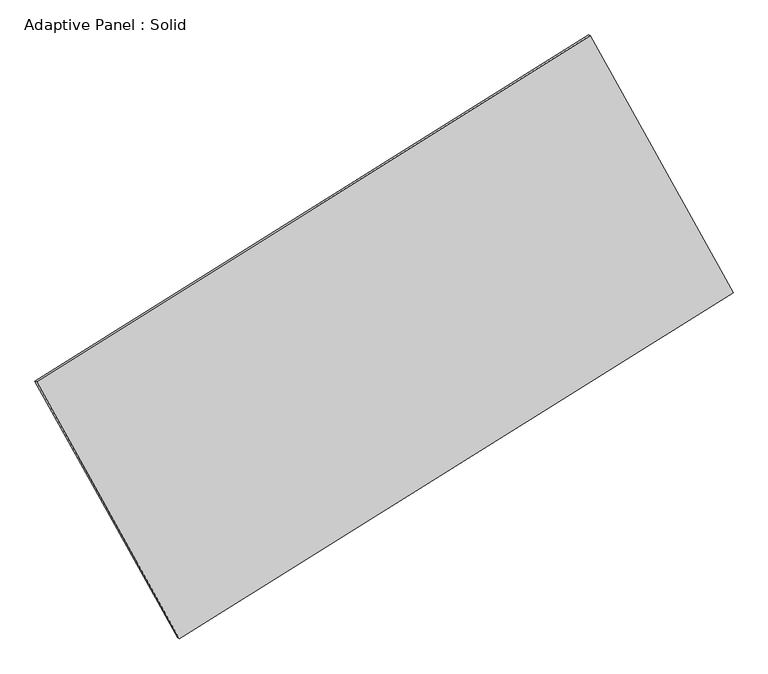
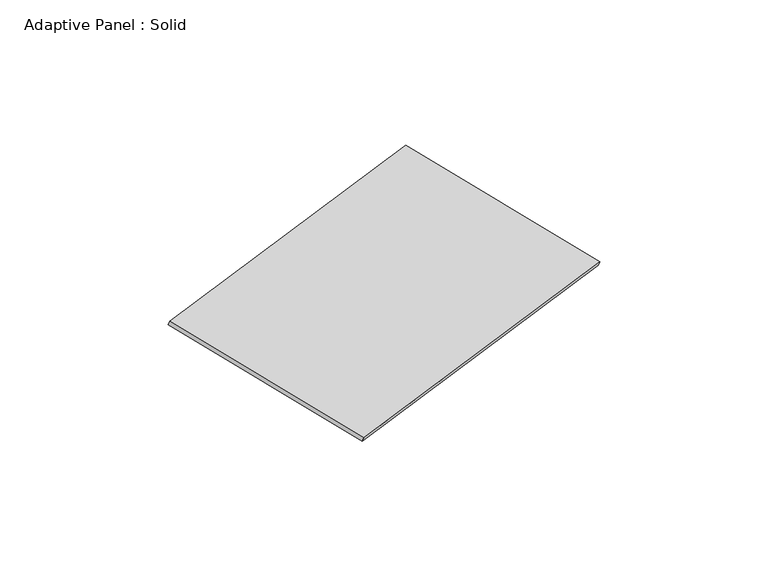
"""IFC4 building model written with IfcOpenShell, lengths in millimetres: plate geometry, Adaptive Panel : Solid."""

from ifc_helpers import new_model, si_unit, frame, origin, place, context, project, spatial, polyline, outline, extrude, source, transform, mapped, element, save


def adaptive_panel_solid_d8cebef4(model_context):
    return source(origin(), model_context, "Body", "SweptSolid", [
        extrude(outline(polyline([(-1346.0237737, 2941.2217718), (1345.8687951, 2941.2217718), (1346.0237719, -2941.1508513), (-1345.8687933, -2941.2926923), (-1346.0237737, 2941.2217718)])), frame((-650.8226445, -100.0621432, 871.2806301), z_axis=(0.29332711661117594, -0.1276018692868705, 0.947458160350667), x_axis=(0.4692301441589396, -0.8442489461117152, -0.2589725638013401)), (0.0, 0.0, 1.0), 50.0),
    ])


if __name__ == "__main__":
    model = new_model("IFC4")
    model_context = context("Model", 3, world=origin())
    ifc_project = project(units=[si_unit("LENGTHUNIT", "METRE", prefix="MILLI")], contexts=[model_context])
    site = spatial("IfcSite", under=ifc_project)
    building = spatial("IfcBuilding", under=site)
    placement = place(None, origin())
    adaptive_panel_solid_shape = adaptive_panel_solid_d8cebef4(model_context)
    element("IfcPlate", 1, ObjectType="Adaptive Panel : Solid", at=placement, inside=building, context=model_context, shape_type="MappedRepresentation", body=[
        mapped(adaptive_panel_solid_shape, transform((0.0, 0.0, 0.0), x_axis=(1.0, 0.0, 0.0), y_axis=(0.0, 1.0, 0.0), z_axis=(0.0, 0.0, 1.0))),
    ])
    save(model, "model.ifc")
